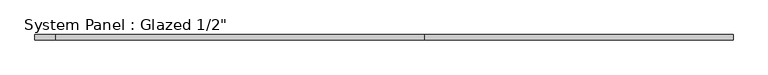
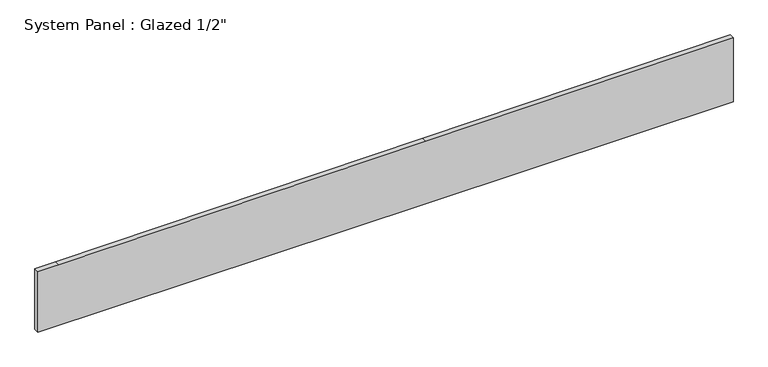
"""IFC4 building model written with IfcOpenShell, lengths in millimetres: plate geometry."""

from ifc_helpers import new_model, si_unit, frame, origin, place, context, project, spatial, polyline, outline, extrude, source, transform, mapped, element, save


def plate_75ec2175(model_context):
    return source(origin(), model_context, "Body", "SweptSolid", [
        extrude(outline(polyline([(0.0, -847.725), (0.0, 98.425), (0.0, 847.725), (164.8950381, 847.725), (160.8838515, 98.7650805), (156.0883304, -796.6440358), (155.4800412, -847.725), (0.0, -847.725)])), frame((0.0, -6.35, 0.0), z_axis=(0.0, 1.0, 0.0), x_axis=(0.0, 0.0, 1.0)), (0.0, 0.0, 1.0), 12.7),
    ])


if __name__ == "__main__":
    model = new_model("IFC4")
    model_context = context("Model", 3, world=origin())
    ifc_project = project(units=[si_unit("LENGTHUNIT", "METRE", prefix="MILLI")], contexts=[model_context])
    site = spatial("IfcSite", under=ifc_project)
    building = spatial("IfcBuilding", under=site)
    placement = place(None, origin())
    plate_shape = plate_75ec2175(model_context)
    element("IfcPlate", 1, ObjectType="System Panel : Glazed 1/2\"", at=placement, inside=building, context=model_context, shape_type="MappedRepresentation", body=[
        mapped(plate_shape, transform((0.0, 0.0, 0.0), x_axis=(1.0, 0.0, 0.0), y_axis=(0.0, 1.0, 0.0), z_axis=(0.0, 0.0, 1.0))),
    ])
    save(model, "model.ifc")
